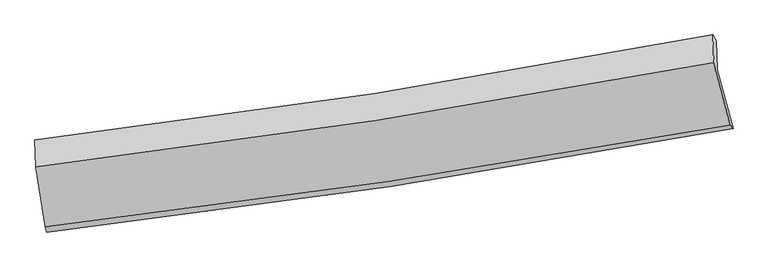
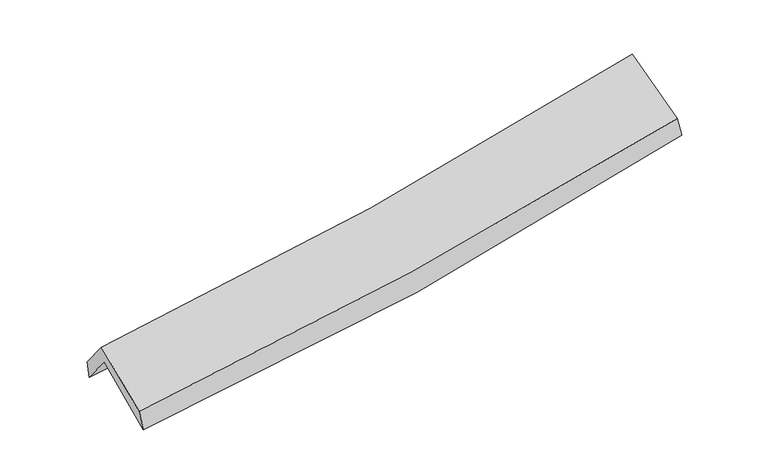
"""IFC4 building model written with IfcOpenShell, lengths in millimetres: proxy geometry."""

from ifc_helpers import new_model, si_unit, frame, origin, place, context, project, spatial, source, transform, mapped, element, save
from ifc_brep_helpers import plane_surface, spline_curve, spline_surface, advanced_brep


def generic_models_92f984b7(model_context):
    return source(origin(), model_context, "Body", "AdvancedBrep", [
        advanced_brep(
        [(-2843.1005086, -2517.3773106, 1477.074277), (-2924.8011408, -1990.8781971, 1898.7665219), (2855.1721174, -1135.012569, 2406.4126918), (2991.9254828, -1634.6407106, 1984.2954484), (-2933.17912, -1748.6755598, 1589.9627473), (2846.815571, -886.2919559, 2089.4858527), (-2943.9152661, -1734.7709647, 1748.779455), (2820.0483068, -837.6680553, 2249.3424509), (-2935.7204358, -1964.1592326, 2036.767304), (2828.5774751, -1076.4150549, 2549.0798154), (-2857.8279924, -2473.4054552, 1648.3627763), (2968.2579729, -1604.1213043, 2145.2329673)],
        [
            (0, 1),
            (1, 2, spline_curve(3, [(-2924.8011408, -1990.8781971, 1898.7665219), (-1952.961868524, -1887.585899377, 1937.203763228), (-985.925739386, -1764.722084759, 1998.651150097), (940.754140936, -1479.523706372, 2167.760534665), (1900.375764534, -1317.098978024, 2275.528537711), (2855.1721174, -1135.012569, 2406.4126918)], [4, 2, 4], [0.0, 9.66341045232117, 19.349054510503358])),
            (2, 3),
            (3, 0, spline_curve(3, [(2991.9254828, -1634.6407106, 1984.2954484), (2028.534957553, -1816.88857027, 1846.874114784), (1060.0229084, -1981.638327855, 1735.876775731), (-885.00924183, -2275.803618579, 1566.924226215), (-1861.505856295, -2405.299394741, 1508.847841787), (-2843.1005086, -2517.3773106, 1477.074277)], [4, 2, 4], [0.0, 9.685644058182188, 19.349054510503358])),
            (1, 4),
            (4, 5, spline_curve(3, [(-2933.17912, -1748.6755598, 1589.9627473), (-1961.413213509, -1642.270355611, 1624.577604925), (-994.412027649, -1517.306382117, 1683.436236659), (932.274820004, -1229.930679295, 1849.832249623), (1891.938531054, -1067.433451387, 1957.481319947), (2846.815571, -886.2919559, 2089.4858527)], [4, 2, 4], [0.0, 9.615841623314049, 19.253807405974282])),
            (5, 2),
            (4, 6),
            (6, 7, spline_curve(3, [(-2943.9152661, -1734.7709647, 1748.779455), (-1976.377850622, -1620.604089862, 1802.398508273), (-1012.826197728, -1488.868191601, 1870.856615164), (908.513355416, -1189.914827155, 2037.642584809), (1866.282893264, -1022.616422319, 2136.03881023), (2820.0483068, -837.6680553, 2249.3424509)], [4, 2, 4], [0.0, 9.606148988679893, 19.234399835861016])),
            (7, 5),
            (6, 8),
            (8, 9, spline_curve(3, [(-2935.7204358, -1964.1592326, 2036.767304), (-1968.238393123, -1848.442370788, 2088.440410509), (-1004.686660681, -1716.708691607, 2156.901303091), (916.764082536, -1420.867753575, 2327.594800343), (1874.644987466, -1256.686706778, 2429.904744998), (2828.5774751, -1076.4150549, 2549.0798154)], [4, 2, 4], [0.0, 9.596493742480986, 19.21506712864168])),
            (9, 7),
            (8, 10),
            (10, 11, spline_curve(3, [(-2857.8279924, -2473.4054552, 1648.3627763), (-1880.302713968, -2359.714204398, 1698.253917912), (-906.586415356, -2230.529296937, 1764.538899621), (1035.459787035, -1940.839290956, 1930.08677188), (2003.77214385, -1780.262814882, 2029.425186862), (2968.2579729, -1604.1213043, 2145.2329673)], [4, 2, 4], [0.0, 9.642844346111294, 19.307874979520268])),
            (11, 9),
            (10, 0),
            (3, 11),
        ],
        [
            spline_surface(3, 3, [[(-2843.1005086, -2517.3773106, 1477.074277), (-1861.505856139, -2405.29939458, 1508.847841667), (-885.009241685, -2275.803618716, 1566.924226304), (1060.022908255, -1981.638327718, 1735.876775642), (2028.534957625, -1816.888570261, 1846.874114798), (2991.9254828, -1634.6407106, 1984.2954484)], [(-2870.334052661, -2341.877606083, 1617.638358647), (-1891.991193573, -2232.728229534, 1651.633148894), (-918.648074255, -2105.443107457, 1710.8332009), (1020.266652476, -1814.266787234, 1879.838028628), (1985.815226624, -1650.292039537, 1989.758922462), (2946.341027664, -1468.097996727, 2125.00119619)], [(-2897.567596739, -2166.377901617, 1758.202440253), (-1922.476531023, -2060.157064537, 1794.418456081), (-952.286906812, -1935.082596161, 1854.742175532), (980.510396711, -1646.895246713, 2023.799281648), (1943.095495631, -1483.695508833, 2132.643730156), (2900.756572536, -1301.555282873, 2265.70694401)], [(-2924.8011408, -1990.8781971, 1898.7665219), (-1952.961868457, -1887.58589949, 1937.203763308), (-985.925739383, -1764.722084901, 1998.651150129), (940.754140933, -1479.52370623, 2167.760534633), (1900.375764631, -1317.09897811, 2275.52853782), (2855.1721174, -1135.012569, 2406.4126918)]], [4, 4], [4, 2, 4], [0.0, 2.213563517622221], [0.0, 9.66341045232117, 19.349054510503358]),
            spline_surface(3, 3, [[(-2924.8011408, -1990.8781971, 1898.7665219), (-1952.961868457, -1887.58589949, 1937.203763308), (-985.925739383, -1764.722084901, 1998.651150129), (940.754140933, -1479.52370623, 2167.760534633), (1900.375764631, -1317.09897811, 2275.52853782), (2855.1721174, -1135.012569, 2406.4126918)], [(-2927.593800535, -1910.143984679, 1795.831930341), (-1955.778983499, -1805.814051529, 1832.995043846), (-988.75450214, -1682.250183978, 1893.579512261), (937.927700601, -1396.326030561, 2061.784439653), (1897.563353442, -1233.877135868, 2169.512798533), (2852.38660195, -1052.105697971, 2300.770412105)], [(-2930.386460265, -1829.409772221, 1692.897338859), (-1958.596098536, -1724.042203532, 1728.786324463), (-991.583264861, -1599.778283084, 1788.507874425), (935.101260305, -1313.128354921, 1955.808344704), (1894.750942204, -1150.655293613, 2063.497059231), (2849.60108645, -969.198826929, 2195.128132395)], [(-2933.17912, -1748.6755598, 1589.9627473), (-1961.413213578, -1642.270355571, 1624.577605001), (-994.412027617, -1517.30638216, 1683.436236558), (932.274819973, -1229.930679252, 1849.832249724), (1891.938531015, -1067.433451371, 1957.481319945), (2846.815571, -886.2919559, 2089.4858527)]], [4, 4], [4, 2, 4], [0.0, 1.3207048081387731], [0.0, 9.615841623314049, 19.253807405974282]),
            spline_surface(3, 3, [[(-2933.17912, -1748.6755598, 1589.9627473), (-1961.413213578, -1642.270355571, 1624.577605001), (-994.412027617, -1517.30638216, 1683.436236558), (932.274819973, -1229.930679252, 1849.832249724), (1891.938531015, -1067.433451371, 1957.481319945), (2846.815571, -886.2919559, 2089.4858527)], [(-2936.757835382, -1744.040694763, 1642.901649882), (-1966.401425924, -1635.048266971, 1683.851239491), (-1000.550084291, -1507.826985291, 1745.909696058), (924.354331761, -1216.592061885, 1912.435694814), (1883.386651786, -1052.494441661, 2017.000483411), (2837.893149585, -870.083989028, 2142.771385442)], [(-2940.336550718, -1739.405829737, 1695.840552418), (-1971.389638225, -1627.826178382, 1743.124873934), (-1006.68814097, -1498.347588448, 1808.383155519), (916.433843544, -1203.253444544, 1975.039139865), (1874.834772602, -1037.555431966, 2076.51964685), (2828.970728215, -853.876022172, 2196.056918158)], [(-2943.9152661, -1734.7709647, 1748.779455), (-1976.377850571, -1620.604089782, 1802.398508424), (-1012.826197644, -1488.868191579, 1870.856615019), (908.513355332, -1189.914827177, 2037.642584954), (1866.282893373, -1022.616422256, 2136.038810316), (2820.0483068, -837.6680553, 2249.3424509)]], [4, 4], [4, 2, 4], [0.0, 0.6295198352109289], [0.0, 9.606148988679893, 19.234399835861016]),
            spline_surface(3, 3, [[(-2943.9152661, -1734.7709647, 1748.779455), (-1976.377850571, -1620.604089782, 1802.398508424), (-1012.826197644, -1488.868191579, 1870.856615019), (908.513355332, -1189.914827177, 2037.642584954), (1866.282893373, -1022.616422256, 2136.038810316), (2820.0483068, -837.6680553, 2249.3424509)], [(-2941.18365598, -1811.233720677, 1844.775404655), (-1973.664698065, -1696.550183457, 1897.745809103), (-1010.113018712, -1564.815024933, 1966.204844335), (911.263597778, -1266.899135988, 2134.293323454), (1869.070258063, -1100.639850466, 2233.994121901), (2822.891362926, -917.250388508, 2349.254905721)], [(-2938.45204592, -1887.696476623, 1940.771354345), (-1970.951545618, -1772.496277102, 1993.093109819), (-1007.399839764, -1640.761858252, 2061.553073658), (914.013840241, -1343.883444765, 2230.94406196), (1871.857622675, -1178.663278652, 2331.949433522), (2825.734418974, -996.832721692, 2449.167360579)], [(-2935.7204358, -1964.1592326, 2036.767304), (-1968.238393111, -1848.442370777, 2088.440410499), (-1004.686660833, -1716.708691606, 2156.901302974), (916.764082687, -1420.867753576, 2327.594800459), (1874.644987365, -1256.686706862, 2429.904745107), (2828.5774751, -1076.4150549, 2549.0798154)]], [4, 4], [4, 2, 4], [0.0, 1.2082997804216953], [0.0, 9.596493742480986, 19.21506712864168]),
            spline_surface(3, 3, [[(-2935.7204358, -1964.1592326, 2036.767304), (-1968.238393111, -1848.442370777, 2088.440410499), (-1004.686660833, -1716.708691606, 2156.901302974), (916.764082687, -1420.867753576, 2327.594800459), (1874.644987365, -1256.686706862, 2429.904745107), (2828.5774751, -1076.4150549, 2549.0798154)], [(-2909.756288006, -2133.907973444, 1907.299128098), (-1938.926500067, -2018.866315336, 1958.378246265), (-971.986579051, -1887.982226706, 2026.113835198), (956.32931753, -1594.191599386, 2195.092124265), (1917.687372849, -1431.212076221, 2296.411559081), (2875.137641034, -1252.317138019, 2414.464199374)], [(-2883.792140194, -2303.656714356, 1777.830952202), (-1909.614607007, -2189.290259962, 1828.316082039), (-939.286497293, -2059.255761798, 1895.326367411), (995.894552348, -1767.515445186, 2062.589448059), (1960.729758332, -1605.737445623, 2162.918373031), (2921.697806966, -1428.219221181, 2279.848583326)], [(-2857.8279924, -2473.4054552, 1648.3627763), (-1880.302713963, -2359.71420452, 1698.253917805), (-906.586415512, -2230.529296898, 1764.538899635), (1035.459787191, -1940.839290996, 1930.086771865), (2003.772143816, -1780.262814982, 2029.425187005), (2968.2579729, -1604.1213043, 2145.2329673)]], [4, 4], [4, 2, 4], [0.0, 2.1636700236615027], [0.0, 9.642844346111294, 19.307874979520268]),
            spline_surface(3, 3, [[(-2857.8279924, -2473.4054552, 1648.3627763), (-1880.302713963, -2359.71420452, 1698.253917805), (-906.586415512, -2230.529296898, 1764.538899635), (1035.459787191, -1940.839290996, 1930.086771865), (2003.772143816, -1780.262814982, 2029.425187005), (2968.2579729, -1604.1213043, 2145.2329673)], [(-2852.918831136, -2488.062740354, 1591.266609878), (-1874.037094691, -2374.909267894, 1635.118559104), (-899.394024224, -2245.620737495, 1698.667341866), (1043.647494224, -1954.438969894, 1865.350106466), (2012.026415059, -1792.471400089, 1968.574829602), (2976.14714284, -1614.294439747, 2091.587127667)], [(-2848.009669864, -2502.720025446, 1534.170443422), (-1867.771475411, -2390.104331206, 1571.983200368), (-892.201632973, -2260.712178119, 1632.795784073), (1051.835201221, -1968.038648819, 1800.613441042), (2020.280686381, -1804.679985154, 1907.7244722), (2984.03631286, -1624.467575153, 2037.941288033)], [(-2843.1005086, -2517.3773106, 1477.074277), (-1861.505856139, -2405.29939458, 1508.847841667), (-885.009241685, -2275.803618716, 1566.924226304), (1060.022908255, -1981.638327718, 1735.876775642), (2028.534957625, -1816.888570261, 1846.874114798), (2991.9254828, -1634.6407106, 1984.2954484)]], [4, 4], [4, 2, 4], [0.0, 0.6624063431949441], [0.0, 9.700141936557758, 19.42260199089365]),
            plane_surface(frame((2885.132821, -1195.6916083, 2237.3082044), z_axis=(0.9784587277112013, 0.17414579303897582, 0.11086821425730431), x_axis=(0.2057070315540616, -0.7771513403500346, -0.5947439880834113))),
            plane_surface(frame((-2906.4240773, -2071.5444533, 1733.2855136), z_axis=(-0.9924955589682721, -0.10783680465408846, -0.057652311230801175), x_axis=(-0.08299291739321676, 0.24779199350787115, 0.9652519378980587))),
        ],
        [
            (0, [[1, 2, 3, 4]]),
            (1, [[5, 6, 7, -2]]),
            (2, [[8, 9, 10, -6]]),
            (3, [[11, 12, 13, -9]]),
            (4, [[14, 15, 16, -12]]),
            (5, [[17, -4, 18, -15]]),
            (6, [[-16, -18, -3, -7, -10, -13]]),
            (7, [[-17, -14, -11, -8, -5, -1]]),
        ],
    ),
    ])


if __name__ == "__main__":
    model = new_model("IFC4")
    model_context = context("Model", 3, world=origin())
    ifc_project = project(units=[si_unit("LENGTHUNIT", "METRE", prefix="MILLI")], contexts=[model_context])
    site = spatial("IfcSite", under=ifc_project)
    building = spatial("IfcBuilding", under=site)
    placement = place(None, origin())
    generic_models_shape = generic_models_92f984b7(model_context)
    element("IfcBuildingElementProxy", 1, Name="Generic Models", at=placement, inside=building, context=model_context, shape_type="MappedRepresentation", body=[
        mapped(generic_models_shape, transform((0.0, 0.0, 0.0), x_axis=(1.0, 0.0, 0.0), y_axis=(0.0, 1.0, 0.0), z_axis=(0.0, 0.0, 1.0))),
    ])
    save(model, "model.ifc")
